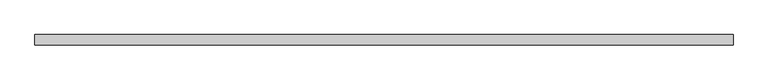
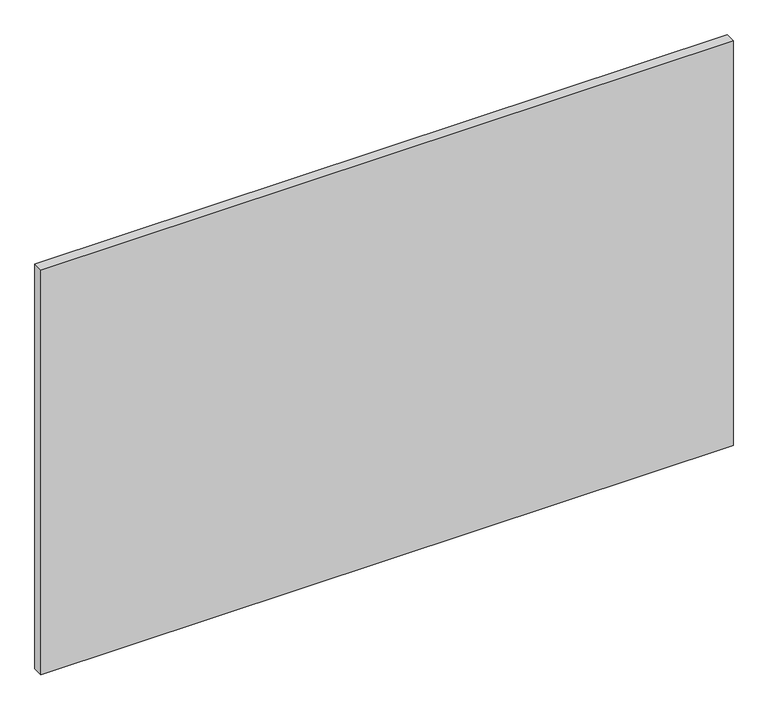
"""IFC4 building model written with IfcOpenShell, lengths in millimetres: proxy geometry."""

from ifc_helpers import new_model, si_unit, frame, origin, place, context, project, spatial, polyline, outline, extrude, source, transform, mapped, element, save


def specialty_equipment_491b7964(model_context):
    return source(origin(), model_context, "Body", "SweptSolid", [
        extrude(outline(polyline([(645.8249999, 0.0), (-645.8249999, 0.0), (-645.8249999, 19.05), (645.8249999, 19.05), (645.8249999, 0.0)])), frame((0.0, 0.0, 3.175), z_axis=(0.0, 0.0, 1.0), x_axis=(1.0, 0.0, 0.0)), (0.0, 0.0, 1.0), 799.2618001),
    ])


if __name__ == "__main__":
    model = new_model("IFC4")
    model_context = context("Model", 3, world=origin())
    ifc_project = project(units=[si_unit("LENGTHUNIT", "METRE", prefix="MILLI")], contexts=[model_context])
    site = spatial("IfcSite", under=ifc_project)
    building = spatial("IfcBuilding", under=site)
    placement = place(None, origin())
    specialty_equipment_shape = specialty_equipment_491b7964(model_context)
    element("IfcBuildingElementProxy", 1, Name="Specialty Equipment", at=placement, inside=building, context=model_context, shape_type="MappedRepresentation", body=[
        mapped(specialty_equipment_shape, transform((0.0, 0.0, 0.0), x_axis=(1.0, 0.0, 0.0), y_axis=(0.0, 1.0, 0.0), z_axis=(0.0, 0.0, 1.0))),
    ])
    save(model, "model.ifc")
